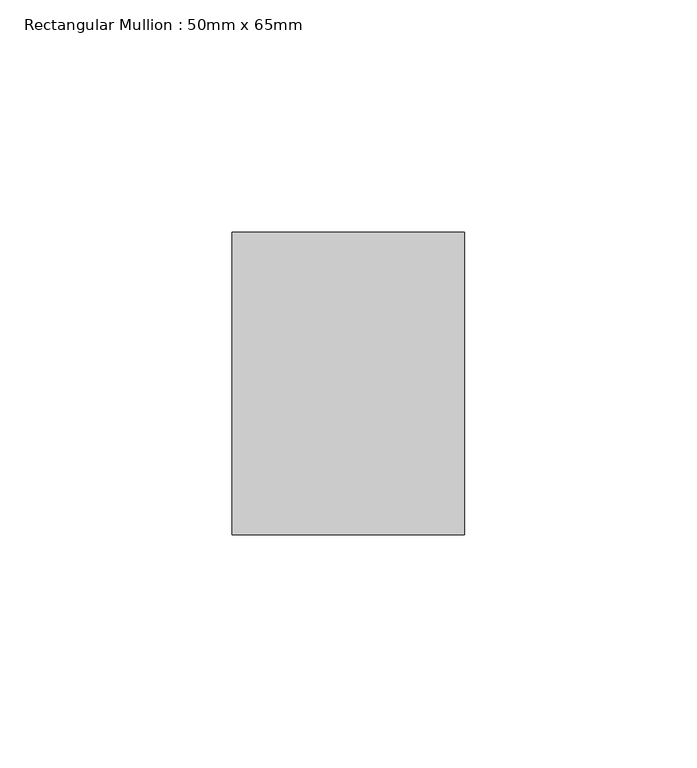
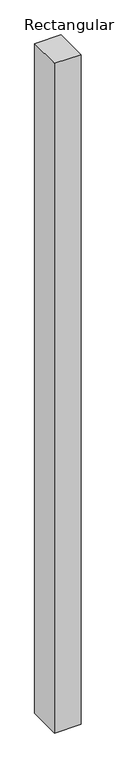
"""IFC4 building model written with IfcOpenShell, lengths in millimetres: member geometry, Rectangular Mullion : 50mm x 65mm."""

from ifc_helpers import new_model, si_unit, frame, origin, place, context, project, spatial, polyline, outline, extrude, source, transform, mapped, element, save


def rectangular_mullion_50mm_x_65mm_802a7b48(model_context):
    return source(origin(), model_context, "Body", "SweptSolid", [
        extrude(outline(polyline([(25.0, 32.5), (25.0, -32.5), (-25.0, -32.5), (-25.0, 32.5), (25.0, 32.5)])), frame((0.0, 0.0, -1337.4796749), z_axis=(0.0, 0.0, 1.0), x_axis=(1.0, 0.0, 0.0)), (0.0, 0.0, 1.0), 1337.4796749),
    ])


if __name__ == "__main__":
    model = new_model("IFC4")
    model_context = context("Model", 3, world=origin())
    ifc_project = project(units=[si_unit("LENGTHUNIT", "METRE", prefix="MILLI")], contexts=[model_context])
    site = spatial("IfcSite", under=ifc_project)
    building = spatial("IfcBuilding", under=site)
    placement = place(None, origin())
    rectangular_mullion_50mm_x_65mm_shape = rectangular_mullion_50mm_x_65mm_802a7b48(model_context)
    element("IfcMember", 1, ObjectType="Rectangular Mullion : 50mm x 65mm", at=placement, inside=building, context=model_context, shape_type="MappedRepresentation", body=[
        mapped(rectangular_mullion_50mm_x_65mm_shape, transform((0.0, 0.0, 0.0), x_axis=(1.0, 0.0, 0.0), y_axis=(0.0, 1.0, 0.0), z_axis=(0.0, 0.0, 1.0))),
    ])
    save(model, "model.ifc")
